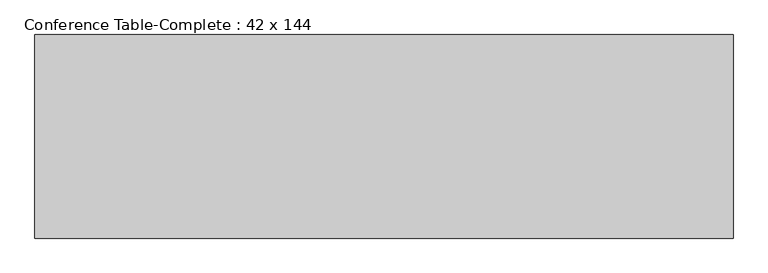
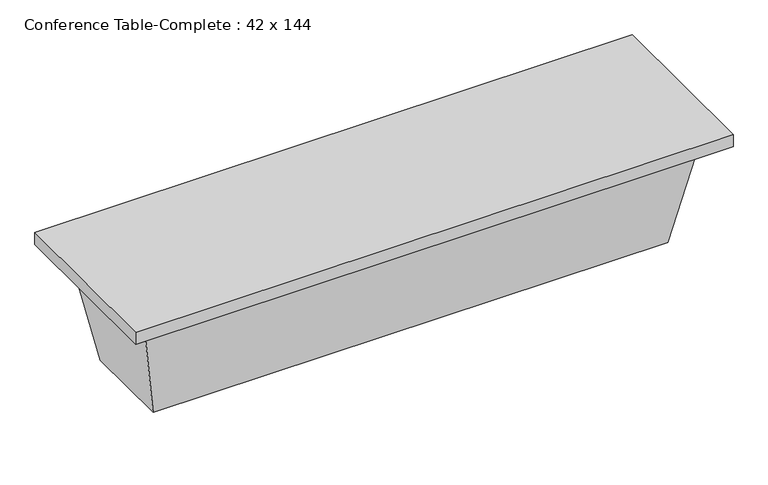
"""IFC4 building model written with IfcOpenShell, lengths in millimetres: furniture geometry, Conference Table-Complete : 42 x 144."""

from ifc_helpers import new_model, si_unit, frame, origin, place, context, project, spatial, polyline, outline, extrude, faceted_brep, source, transform, mapped, element, save


def conference_table_complete_42_x_144_00e9c4b6(model_context):
    return source(origin(), model_context, "Body", "SolidModel", [
        faceted_brep([(1701.8, -406.4, 685.8), (1701.8, 406.4, 685.8), (-1701.8, 406.4, 685.8), (-1701.8, -406.4, 685.8), (1574.8, -279.4, 0.0), (-1574.8, -279.4, 0.0), (-1574.8, 279.4, 0.0), (1574.8, 279.4, 0.0)], [[[0, 1, 2, 3]], [[4, 5, 6, 7]], [[4, 7, 1, 0]], [[7, 6, 2, 1]], [[6, 5, 3, 2]], [[5, 4, 0, 3]]]),
        extrude(outline(polyline([(1828.8, 533.4), (1828.8, -533.4), (-1828.8, -533.4), (-1828.8, 533.4), (1828.8, 533.4)])), frame((0.0, 0.0, 685.8), z_axis=(0.0, 0.0, 1.0), x_axis=(1.0, 0.0, 0.0)), (0.0, 0.0, 1.0), 76.2),
    ])


if __name__ == "__main__":
    model = new_model("IFC4")
    model_context = context("Model", 3, world=origin())
    ifc_project = project(units=[si_unit("LENGTHUNIT", "METRE", prefix="MILLI")], contexts=[model_context])
    site = spatial("IfcSite", under=ifc_project)
    building = spatial("IfcBuilding", under=site)
    placement = place(None, origin())
    conference_table_complete_42_x_144_shape = conference_table_complete_42_x_144_00e9c4b6(model_context)
    element("IfcFurniture", 1, ObjectType="Conference Table-Complete : 42 x 144", at=placement, inside=building, context=model_context, shape_type="MappedRepresentation", body=[
        mapped(conference_table_complete_42_x_144_shape, transform((0.0, 0.0, 0.0), x_axis=(1.0, 0.0, 0.0), y_axis=(0.0, 1.0, 0.0), z_axis=(0.0, 0.0, 1.0))),
    ])
    save(model, "model.ifc")
